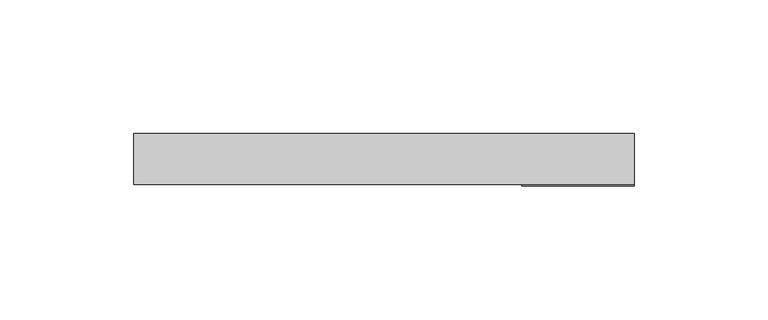
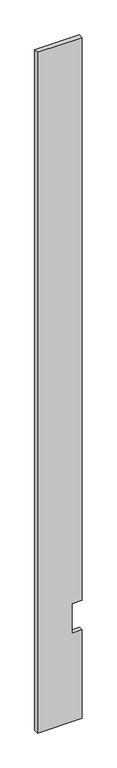
"""IFC4 building model written with IfcOpenShell, lengths in millimetres: proxy geometry."""

from ifc_helpers import new_model, si_unit, frame, origin, place, context, project, spatial, polyline, outline, extrude, source, transform, mapped, element, save


def specialty_equipment_eafcccfb(model_context):
    return source(origin(), model_context, "Body", "SweptSolid", [
        extrude(outline(polyline([(2999.5368001, 93.3704), (2999.5368001, -93.3704), (3.175, -93.3704), (3.175, 93.3704), (391.922, 93.3704), (391.922, 51.3588), (522.478, 51.3588), (522.478, 93.3704), (2999.5368001, 93.3704)])), frame((0.0, -9.525, 0.0), z_axis=(0.0, 1.0, 0.0), x_axis=(0.0, 0.0, 1.0)), (0.0, 0.0, 1.0), 19.05),
    ])


if __name__ == "__main__":
    model = new_model("IFC4")
    model_context = context("Model", 3, world=origin())
    ifc_project = project(units=[si_unit("LENGTHUNIT", "METRE", prefix="MILLI")], contexts=[model_context])
    site = spatial("IfcSite", under=ifc_project)
    building = spatial("IfcBuilding", under=site)
    placement = place(None, origin())
    specialty_equipment_shape = specialty_equipment_eafcccfb(model_context)
    element("IfcBuildingElementProxy", 1, Name="Specialty Equipment", at=placement, inside=building, context=model_context, shape_type="MappedRepresentation", body=[
        mapped(specialty_equipment_shape, transform((0.0, 0.0, 0.0), x_axis=(1.0, 0.0, 0.0), y_axis=(0.0, 1.0, 0.0), z_axis=(0.0, 0.0, 1.0))),
    ])
    save(model, "model.ifc")
